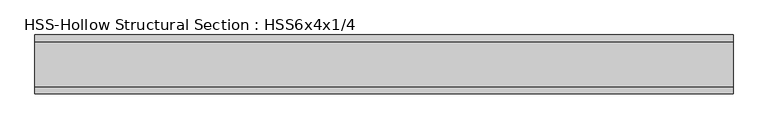
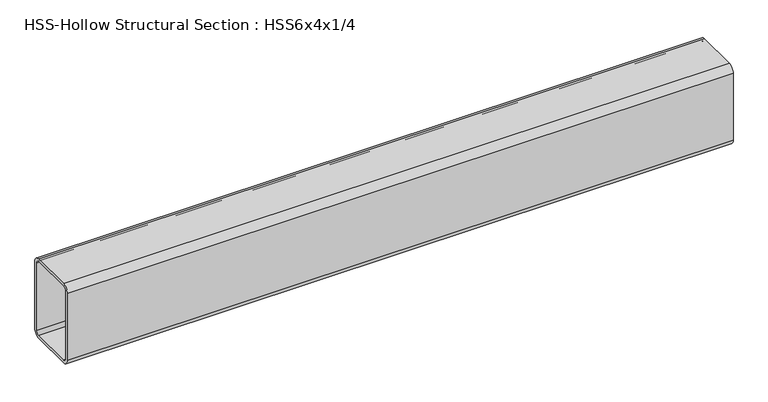
"""IFC4 building model written with IfcOpenShell, lengths in millimetres: beam geometry, HSS-Hollow Structural Section : HSS6x4x1/4."""

import ifcopenshell
import ifcopenshell.guid

model = None  # the IFC model being written
_history = None  # IfcOwnerHistory: only IFC2X3 demands one
_inside = {}  # id of a spatial element -> (the spatial element, [elements in it])
_under = {}  # id of a project, library or spatial element -> (it, [spatial elements below it])
_declared = {}  # id of a project -> (the project, [libraries it declares])
_typed = {}  # id of a type object -> (the type object, [elements of that type])
_made_of = {}  # id of a material, layer set ... -> (it, [elements and type objects made of it])


def new_model(schema):
    """Start an empty IFC model of exactly this schema.

    Asked for "IFC4X3", IfcOpenShell would pick the latest addendum, in which some entities
    have other attributes; the version numbers below select the first issue.
    IFC2X3 requires an IfcOwnerHistory on every rooted entity: one is made here for all.
    """
    global model, _history
    if schema == "IFC4X3":
        model = ifcopenshell.file(schema_version=(4, 3, 0, 0))
    else:
        model = ifcopenshell.file(schema=schema)
    _inside.clear()
    _under.clear()
    _declared.clear()
    _typed.clear()
    _made_of.clear()
    _history = None
    if model.schema == "IFC2X3":
        org = make("IfcOrganization", Name="unknown")
        user = make(
            "IfcPersonAndOrganization",
            ThePerson=make("IfcPerson", FamilyName="unknown"),
            TheOrganization=org,
        )
        app = make(
            "IfcApplication",
            ApplicationDeveloper=org,
            Version="unknown",
            ApplicationFullName="unknown",
            ApplicationIdentifier="unknown",
        )
        _history = make(
            "IfcOwnerHistory",
            OwningUser=user,
            OwningApplication=app,
            ChangeAction="ADDED",
            CreationDate=0,
        )
    return model


def make(cls, **values):
    """One entity of the class cls with the attributes given. An attribute that is None is left unset."""
    return model.create_entity(
        cls, **{name: value for name, value in values.items() if value is not None}
    )


def rooted(cls, **values):
    """An entity with a GlobalId (a new one), such as an element, a storey or a relation."""
    return make(cls, GlobalId=ifcopenshell.guid.new(), OwnerHistory=_history, **values)


def si_unit(unit_type, name, prefix=None):
    """IfcSIUnit, for example si_unit("LENGTHUNIT", "METRE", prefix="MILLI")."""
    return make("IfcSIUnit", UnitType=unit_type, Prefix=prefix, Name=name)


def assignment(units):
    """IfcUnitAssignment: the units of a project."""
    return None if units is None else make("IfcUnitAssignment", Units=units)


def point(xyz):
    """IfcCartesianPoint."""
    return None if xyz is None else make("IfcCartesianPoint", Coordinates=xyz)


def direction(xyz):
    """IfcDirection."""
    return None if xyz is None else make("IfcDirection", DirectionRatios=xyz)


def frame(location, z_axis=None, x_axis=None):
    """IfcAxis2Placement3D, a coordinate frame: its origin and axes. An axis left out is left unset."""
    return make(
        "IfcAxis2Placement3D",
        Location=point(location),
        Axis=direction(z_axis),
        RefDirection=direction(x_axis),
    )


def frame_2d(location, x_axis=None):
    """IfcAxis2Placement2D, a coordinate frame in the plane: its origin and x axis."""
    return make(
        "IfcAxis2Placement2D", Location=point(location), RefDirection=direction(x_axis)
    )


def origin():
    """The frame at (0, 0, 0) with its axes left unset."""
    return frame((0.0, 0.0, 0.0))


def place(relative_to, where):
    """IfcLocalPlacement: puts the frame where relative to a parent placement (None: the world)."""
    return make(
        "IfcLocalPlacement", PlacementRelTo=relative_to, RelativePlacement=where
    )


def context(
    kind, dimensions, precision=None, world=None, true_north=None, identifier=None
):
    """IfcGeometricRepresentationContext, for example the 3D "Model" context."""
    return make(
        "IfcGeometricRepresentationContext",
        ContextIdentifier=identifier,
        ContextType=kind,
        CoordinateSpaceDimension=dimensions,
        Precision=precision,
        WorldCoordinateSystem=world,
        TrueNorth=true_north,
    )


def project(units=None, contexts=None):
    """IfcProject with its units and contexts."""
    return rooted(
        "IfcProject",
        Name="project",
        RepresentationContexts=contexts,
        UnitsInContext=assignment(units),
    )


def spatial(cls, under=None, at=None, **own):
    """A site, building, storey or space (cls), placed at a placement, below another one or the project."""
    s = rooted(cls, ObjectPlacement=at, **own)
    if under is not None:
        _under.setdefault(under.id(), (under, []))[1].append(s)
    return s


def polyline(points):
    """IfcPolyline through the points."""
    return make("IfcPolyline", Points=[point(p) for p in points])


def circle_curve(where, radius):
    """IfcCircle in the frame where."""
    return make("IfcCircle", Position=where, Radius=radius)


def trimmed(basis, trim1, trim2, sense, master):
    """IfcTrimmedCurve: the piece of a basis curve between two trims."""
    return make(
        "IfcTrimmedCurve",
        BasisCurve=basis,
        Trim1=trim1,
        Trim2=trim2,
        SenseAgreement=sense,
        MasterRepresentation=master,
    )


def segment(curve, same_sense, transition):
    """IfcCompositeCurveSegment."""
    return make(
        "IfcCompositeCurveSegment",
        Transition=transition,
        SameSense=same_sense,
        ParentCurve=curve,
    )


def composite_curve(segments, self_intersect=None):
    """IfcCompositeCurve: segments joined end to end."""
    return make("IfcCompositeCurve", Segments=segments, SelfIntersect=self_intersect)


def outline(outer, holes=None, kind="AREA"):
    """IfcArbitraryClosedProfileDef: a profile drawn as a closed curve; with holes, ...WithVoids."""
    if holes is None:
        return make("IfcArbitraryClosedProfileDef", ProfileType=kind, OuterCurve=outer)
    return make(
        "IfcArbitraryProfileDefWithVoids",
        ProfileType=kind,
        OuterCurve=outer,
        InnerCurves=holes,
    )


def extrude(swept, where, along, depth):
    """IfcExtrudedAreaSolid: the profile swept, set in the frame where, extruded along a direction by depth."""
    return make(
        "IfcExtrudedAreaSolid",
        SweptArea=swept,
        Position=where,
        ExtrudedDirection=direction(along),
        Depth=depth,
    )


def shape(context_of_items, identifier, shape_type, items):
    """IfcShapeRepresentation: the items that make up one representation, for example the "Body"."""
    return make(
        "IfcShapeRepresentation",
        ContextOfItems=context_of_items,
        RepresentationIdentifier=identifier,
        RepresentationType=shape_type,
        Items=items,
    )


def source(mapping_origin, context_of_items, identifier, shape_type, items):
    """IfcRepresentationMap: a shape defined once, which mapped items show again and again."""
    return make(
        "IfcRepresentationMap",
        MappingOrigin=mapping_origin,
        MappedRepresentation=shape(context_of_items, identifier, shape_type, items),
    )


def transform(
    local_origin,
    x_axis=None,
    y_axis=None,
    z_axis=None,
    scale=None,
    scale2=None,
    scale3=None,
    uniform=True,
):
    """IfcCartesianTransformationOperator3D, or its non-uniform kind. x_axis, y_axis, z_axis: its Axis1, 2, 3."""
    if uniform:
        return make(
            "IfcCartesianTransformationOperator3D",
            Axis1=direction(x_axis),
            Axis2=direction(y_axis),
            LocalOrigin=point(local_origin),
            Scale=scale,
            Axis3=direction(z_axis),
        )
    return make(
        "IfcCartesianTransformationOperator3DnonUniform",
        Axis1=direction(x_axis),
        Axis2=direction(y_axis),
        LocalOrigin=point(local_origin),
        Scale=scale,
        Axis3=direction(z_axis),
        Scale2=scale2,
        Scale3=scale3,
    )


def mapped(mapping_source, mapping_target):
    """IfcMappedItem: shows the shape of a source again, moved by a transform."""
    return make(
        "IfcMappedItem", MappingSource=mapping_source, MappingTarget=mapping_target
    )


def made_of(thing, what):
    """Note that an element or type object is made of a material, layer set ...; save() writes the relation."""
    if what is not None:
        _made_of.setdefault(what.id(), (what, []))[1].append(thing)
    return thing


def element(
    cls,
    number,
    at=None,
    inside=None,
    cuts=None,
    type_object=None,
    material=None,
    context=None,
    identifier="Body",
    shape_type=None,
    held_by="IfcProductDefinitionShape",
    body=None,
    shapes=None,
    **own,
):
    """One element of the class cls, such as IfcWall. Its Tag is "e" and its number.

    at: its placement. inside: the storey or other place that contains it. cuts: it is an
    opening in that element (IfcRelVoidsElement). A single representation is given by context,
    identifier, shape_type and body (its items); several are given by shapes. held_by: the class
    of the entity that holds the representations. save() writes the other relations.
    """
    e = rooted(cls, Tag="e%d" % number, ObjectPlacement=at, **own)
    if body is not None:
        shapes = [shape(context, identifier, shape_type, body)]
    if shapes is not None:
        e.Representation = make(held_by, Representations=shapes)
    if inside is not None:
        _inside.setdefault(inside.id(), (inside, []))[1].append(e)
    if cuts is not None:
        rooted(
            "IfcRelVoidsElement", RelatingBuildingElement=cuts, RelatedOpeningElement=e
        )
    if type_object is not None:
        _typed.setdefault(type_object.id(), (type_object, []))[1].append(e)
    return made_of(e, material)


def aggregate(whole, parts):
    """IfcRelAggregates: a whole, such as a stair, and the parts it consists of."""
    return rooted("IfcRelAggregates", RelatingObject=whole, RelatedObjects=parts)


def save(model, path):
    """Write the relations noted so far, then the file.

    IfcRelAggregates (storeys below a building ...), IfcRelContainedInSpatialStructure (elements
    in a storey), IfcRelDefinesByType, IfcRelAssociatesMaterial and IfcRelDeclares: one each for
    every whole, place, type object, material and project.
    """
    for whole, parts in _under.values():
        aggregate(whole, parts)
    for where, things in _inside.values():
        rooted(
            "IfcRelContainedInSpatialStructure",
            RelatedElements=things,
            RelatingStructure=where,
        )
    for kind, things in _typed.values():
        rooted("IfcRelDefinesByType", RelatedObjects=things, RelatingType=kind)
    for what, things in _made_of.values():
        rooted("IfcRelAssociatesMaterial", RelatedObjects=things, RelatingMaterial=what)
    for by, libraries in _declared.values():
        rooted("IfcRelDeclares", RelatingContext=by, RelatedDefinitions=libraries)
    model.write(path)


def hss_hollow_structural_section_hss6x4x1_4_5e3a1471(model_context):
    return source(origin(), model_context, "Body", "SweptSolid", [
        extrude(outline(composite_curve([segment(polyline([(50.8, 64.3636), (50.8, -64.3636)]), True, "CONTINUOUS"), segment(trimmed(circle_curve(frame_2d((38.9636, -64.3636)), 11.8364), [point((50.8, -64.3636))], [point((38.9636, -76.2))], False, "CARTESIAN"), True, "CONTINUOUS"), segment(polyline([(38.9636, -76.2), (-38.9636, -76.2)]), True, "CONTINUOUS"), segment(trimmed(circle_curve(frame_2d((-38.9636, -64.3636)), 11.8364), [point((-38.9636, -76.2))], [point((-50.8, -64.3636))], False, "CARTESIAN"), True, "CONTINUOUS"), segment(polyline([(-50.8, -64.3636), (-50.8, 64.3636)]), True, "CONTINUOUS"), segment(trimmed(circle_curve(frame_2d((-38.9636, 64.3636)), 11.8364), [point((-50.8, 64.3636))], [point((-38.9636, 76.2))], False, "CARTESIAN"), True, "CONTINUOUS"), segment(polyline([(-38.9636, 76.2), (38.9636, 76.2)]), True, "CONTINUOUS"), segment(trimmed(circle_curve(frame_2d((38.9636, 64.3636)), 11.8364), [point((38.9636, 76.2))], [point((50.8, 64.3636))], False, "CARTESIAN"), True, "CONTINUOUS")], self_intersect=False), holes=[composite_curve([segment(trimmed(circle_curve(frame_2d((-38.9636, 64.3636)), 5.9182), [point((-38.9636, 70.2818))], [point((-44.8818, 64.3636))], True, "CARTESIAN"), True, "CONTINUOUS"), segment(polyline([(-44.8818, 64.3636), (-44.8818, -64.3636)]), True, "CONTINUOUS"), segment(trimmed(circle_curve(frame_2d((-38.9636, -64.3636)), 5.9182), [point((-44.8818, -64.3636))], [point((-38.9636, -70.2818))], True, "CARTESIAN"), True, "CONTINUOUS"), segment(polyline([(-38.9636, -70.2818), (38.9636, -70.2818)]), True, "CONTINUOUS"), segment(trimmed(circle_curve(frame_2d((38.9636, -64.3636)), 5.9182), [point((38.9636, -70.2818))], [point((44.8818, -64.3636))], True, "CARTESIAN"), True, "CONTINUOUS"), segment(polyline([(44.8818, -64.3636), (44.8818, 64.3636)]), True, "CONTINUOUS"), segment(trimmed(circle_curve(frame_2d((38.9636, 64.3636)), 5.9182), [point((44.8818, 64.3636))], [point((38.9636, 70.2818))], True, "CARTESIAN"), True, "CONTINUOUS"), segment(polyline([(38.9636, 70.2818), (-38.9636, 70.2818)]), True, "CONTINUOUS")], self_intersect=False)]), frame((-635.0, 0.0, 0.0), z_axis=(1.0, 0.0, 0.0), x_axis=(0.0, 1.0, 0.0)), (0.0, 0.0, 1.0), 1206.246),
    ])


if __name__ == "__main__":
    model = new_model("IFC4")
    model_context = context("Model", 3, world=origin())
    ifc_project = project(units=[si_unit("LENGTHUNIT", "METRE", prefix="MILLI")], contexts=[model_context])
    site = spatial("IfcSite", under=ifc_project)
    building = spatial("IfcBuilding", under=site)
    placement = place(None, origin())
    hss_hollow_structural_section_hss6x4x1_4_shape = hss_hollow_structural_section_hss6x4x1_4_5e3a1471(model_context)
    element("IfcBeam", 1, ObjectType="HSS-Hollow Structural Section : HSS6x4x1/4", at=placement, inside=building, context=model_context, shape_type="MappedRepresentation", body=[
        mapped(hss_hollow_structural_section_hss6x4x1_4_shape, transform((0.0, 0.0, 0.0), x_axis=(1.0, 0.0, 0.0), y_axis=(0.0, 1.0, 0.0), z_axis=(0.0, 0.0, 1.0))),
    ])
    save(model, "model.ifc")
